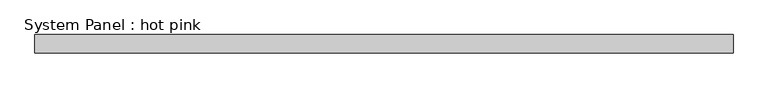
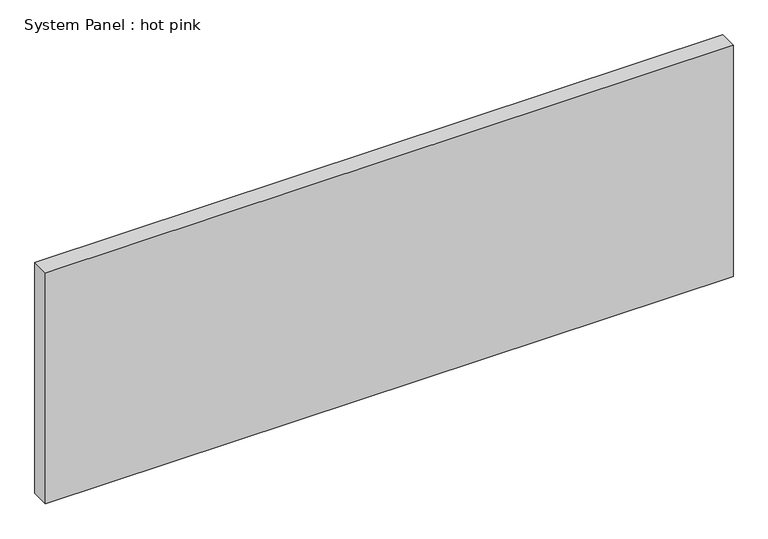
"""IFC4 building model written with IfcOpenShell, lengths in millimetres: plate geometry, System Panel : hot pink."""

from ifc_helpers import new_model, si_unit, origin, origin_with_axes, place, context, project, spatial, polyline, outline, extrude, source, transform, mapped, element, save


def system_panel_hot_pink_8148a108(model_context):
    return source(origin(), model_context, "Body", "SweptSolid", [
        extrude(outline(polyline([(1196.6516214, -19.05), (-1196.6516214, -19.05), (-1196.6516214, 44.45), (1196.6516214, 44.45), (1196.6516214, -19.05)])), origin_with_axes(), (0.0, 0.0, 1.0), 850.9),
    ])


if __name__ == "__main__":
    model = new_model("IFC4")
    model_context = context("Model", 3, world=origin())
    ifc_project = project(units=[si_unit("LENGTHUNIT", "METRE", prefix="MILLI")], contexts=[model_context])
    site = spatial("IfcSite", under=ifc_project)
    building = spatial("IfcBuilding", under=site)
    placement = place(None, origin())
    system_panel_hot_pink_shape = system_panel_hot_pink_8148a108(model_context)
    element("IfcPlate", 1, ObjectType="System Panel : hot pink", at=placement, inside=building, context=model_context, shape_type="MappedRepresentation", body=[
        mapped(system_panel_hot_pink_shape, transform((0.0, 0.0, 0.0), x_axis=(1.0, 0.0, 0.0), y_axis=(0.0, 1.0, 0.0), z_axis=(0.0, 0.0, 1.0))),
    ])
    save(model, "model.ifc")
